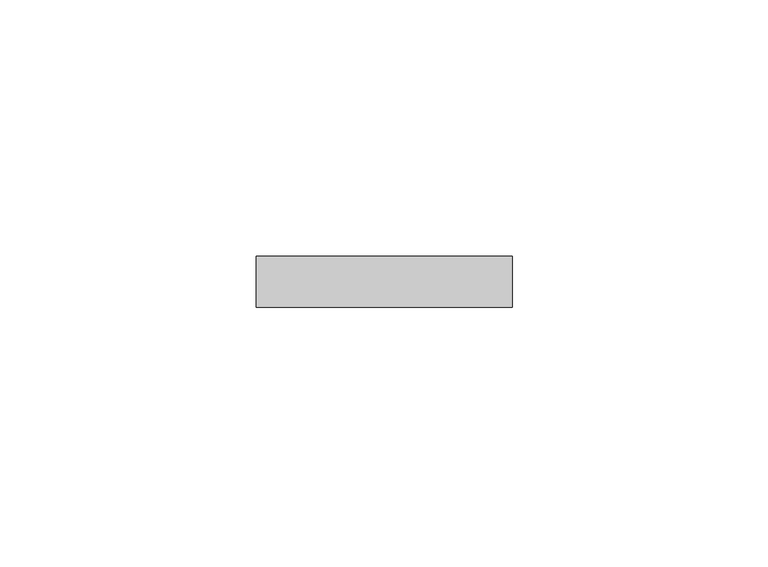
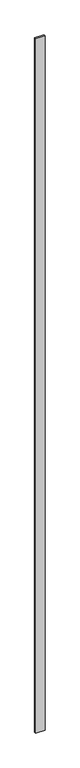
"""IFC4 building model written with IfcOpenShell, lengths in millimetres: plate geometry."""

import ifcopenshell
import ifcopenshell.guid

model = None  # the IFC model being written
_history = None  # IfcOwnerHistory: only IFC2X3 demands one
_inside = {}  # id of a spatial element -> (the spatial element, [elements in it])
_under = {}  # id of a project, library or spatial element -> (it, [spatial elements below it])
_declared = {}  # id of a project -> (the project, [libraries it declares])
_typed = {}  # id of a type object -> (the type object, [elements of that type])
_made_of = {}  # id of a material, layer set ... -> (it, [elements and type objects made of it])


def new_model(schema):
    """Start an empty IFC model of exactly this schema.

    Asked for "IFC4X3", IfcOpenShell would pick the latest addendum, in which some entities
    have other attributes; the version numbers below select the first issue.
    IFC2X3 requires an IfcOwnerHistory on every rooted entity: one is made here for all.
    """
    global model, _history
    if schema == "IFC4X3":
        model = ifcopenshell.file(schema_version=(4, 3, 0, 0))
    else:
        model = ifcopenshell.file(schema=schema)
    _inside.clear()
    _under.clear()
    _declared.clear()
    _typed.clear()
    _made_of.clear()
    _history = None
    if model.schema == "IFC2X3":
        org = make("IfcOrganization", Name="unknown")
        user = make(
            "IfcPersonAndOrganization",
            ThePerson=make("IfcPerson", FamilyName="unknown"),
            TheOrganization=org,
        )
        app = make(
            "IfcApplication",
            ApplicationDeveloper=org,
            Version="unknown",
            ApplicationFullName="unknown",
            ApplicationIdentifier="unknown",
        )
        _history = make(
            "IfcOwnerHistory",
            OwningUser=user,
            OwningApplication=app,
            ChangeAction="ADDED",
            CreationDate=0,
        )
    return model


def make(cls, **values):
    """One entity of the class cls with the attributes given. An attribute that is None is left unset."""
    return model.create_entity(
        cls, **{name: value for name, value in values.items() if value is not None}
    )


def rooted(cls, **values):
    """An entity with a GlobalId (a new one), such as an element, a storey or a relation."""
    return make(cls, GlobalId=ifcopenshell.guid.new(), OwnerHistory=_history, **values)


def si_unit(unit_type, name, prefix=None):
    """IfcSIUnit, for example si_unit("LENGTHUNIT", "METRE", prefix="MILLI")."""
    return make("IfcSIUnit", UnitType=unit_type, Prefix=prefix, Name=name)


def assignment(units):
    """IfcUnitAssignment: the units of a project."""
    return None if units is None else make("IfcUnitAssignment", Units=units)


def point(xyz):
    """IfcCartesianPoint."""
    return None if xyz is None else make("IfcCartesianPoint", Coordinates=xyz)


def direction(xyz):
    """IfcDirection."""
    return None if xyz is None else make("IfcDirection", DirectionRatios=xyz)


def frame(location, z_axis=None, x_axis=None):
    """IfcAxis2Placement3D, a coordinate frame: its origin and axes. An axis left out is left unset."""
    return make(
        "IfcAxis2Placement3D",
        Location=point(location),
        Axis=direction(z_axis),
        RefDirection=direction(x_axis),
    )


def origin():
    """The frame at (0, 0, 0) with its axes left unset."""
    return frame((0.0, 0.0, 0.0))


def origin_with_axes():
    """The frame at (0, 0, 0) with the z axis (0, 0, 1) and the x axis (1, 0, 0) written out."""
    return frame((0.0, 0.0, 0.0), z_axis=(0.0, 0.0, 1.0), x_axis=(1.0, 0.0, 0.0))


def place(relative_to, where):
    """IfcLocalPlacement: puts the frame where relative to a parent placement (None: the world)."""
    return make(
        "IfcLocalPlacement", PlacementRelTo=relative_to, RelativePlacement=where
    )


def context(
    kind, dimensions, precision=None, world=None, true_north=None, identifier=None
):
    """IfcGeometricRepresentationContext, for example the 3D "Model" context."""
    return make(
        "IfcGeometricRepresentationContext",
        ContextIdentifier=identifier,
        ContextType=kind,
        CoordinateSpaceDimension=dimensions,
        Precision=precision,
        WorldCoordinateSystem=world,
        TrueNorth=true_north,
    )


def project(units=None, contexts=None):
    """IfcProject with its units and contexts."""
    return rooted(
        "IfcProject",
        Name="project",
        RepresentationContexts=contexts,
        UnitsInContext=assignment(units),
    )


def spatial(cls, under=None, at=None, **own):
    """A site, building, storey or space (cls), placed at a placement, below another one or the project."""
    s = rooted(cls, ObjectPlacement=at, **own)
    if under is not None:
        _under.setdefault(under.id(), (under, []))[1].append(s)
    return s


def polyline(points):
    """IfcPolyline through the points."""
    return make("IfcPolyline", Points=[point(p) for p in points])


def outline(outer, holes=None, kind="AREA"):
    """IfcArbitraryClosedProfileDef: a profile drawn as a closed curve; with holes, ...WithVoids."""
    if holes is None:
        return make("IfcArbitraryClosedProfileDef", ProfileType=kind, OuterCurve=outer)
    return make(
        "IfcArbitraryProfileDefWithVoids",
        ProfileType=kind,
        OuterCurve=outer,
        InnerCurves=holes,
    )


def extrude(swept, where, along, depth):
    """IfcExtrudedAreaSolid: the profile swept, set in the frame where, extruded along a direction by depth."""
    return make(
        "IfcExtrudedAreaSolid",
        SweptArea=swept,
        Position=where,
        ExtrudedDirection=direction(along),
        Depth=depth,
    )


def shape(context_of_items, identifier, shape_type, items):
    """IfcShapeRepresentation: the items that make up one representation, for example the "Body"."""
    return make(
        "IfcShapeRepresentation",
        ContextOfItems=context_of_items,
        RepresentationIdentifier=identifier,
        RepresentationType=shape_type,
        Items=items,
    )


def source(mapping_origin, context_of_items, identifier, shape_type, items):
    """IfcRepresentationMap: a shape defined once, which mapped items show again and again."""
    return make(
        "IfcRepresentationMap",
        MappingOrigin=mapping_origin,
        MappedRepresentation=shape(context_of_items, identifier, shape_type, items),
    )


def transform(
    local_origin,
    x_axis=None,
    y_axis=None,
    z_axis=None,
    scale=None,
    scale2=None,
    scale3=None,
    uniform=True,
):
    """IfcCartesianTransformationOperator3D, or its non-uniform kind. x_axis, y_axis, z_axis: its Axis1, 2, 3."""
    if uniform:
        return make(
            "IfcCartesianTransformationOperator3D",
            Axis1=direction(x_axis),
            Axis2=direction(y_axis),
            LocalOrigin=point(local_origin),
            Scale=scale,
            Axis3=direction(z_axis),
        )
    return make(
        "IfcCartesianTransformationOperator3DnonUniform",
        Axis1=direction(x_axis),
        Axis2=direction(y_axis),
        LocalOrigin=point(local_origin),
        Scale=scale,
        Axis3=direction(z_axis),
        Scale2=scale2,
        Scale3=scale3,
    )


def mapped(mapping_source, mapping_target):
    """IfcMappedItem: shows the shape of a source again, moved by a transform."""
    return make(
        "IfcMappedItem", MappingSource=mapping_source, MappingTarget=mapping_target
    )


def made_of(thing, what):
    """Note that an element or type object is made of a material, layer set ...; save() writes the relation."""
    if what is not None:
        _made_of.setdefault(what.id(), (what, []))[1].append(thing)
    return thing


def element(
    cls,
    number,
    at=None,
    inside=None,
    cuts=None,
    type_object=None,
    material=None,
    context=None,
    identifier="Body",
    shape_type=None,
    held_by="IfcProductDefinitionShape",
    body=None,
    shapes=None,
    **own,
):
    """One element of the class cls, such as IfcWall. Its Tag is "e" and its number.

    at: its placement. inside: the storey or other place that contains it. cuts: it is an
    opening in that element (IfcRelVoidsElement). A single representation is given by context,
    identifier, shape_type and body (its items); several are given by shapes. held_by: the class
    of the entity that holds the representations. save() writes the other relations.
    """
    e = rooted(cls, Tag="e%d" % number, ObjectPlacement=at, **own)
    if body is not None:
        shapes = [shape(context, identifier, shape_type, body)]
    if shapes is not None:
        e.Representation = make(held_by, Representations=shapes)
    if inside is not None:
        _inside.setdefault(inside.id(), (inside, []))[1].append(e)
    if cuts is not None:
        rooted(
            "IfcRelVoidsElement", RelatingBuildingElement=cuts, RelatedOpeningElement=e
        )
    if type_object is not None:
        _typed.setdefault(type_object.id(), (type_object, []))[1].append(e)
    return made_of(e, material)


def aggregate(whole, parts):
    """IfcRelAggregates: a whole, such as a stair, and the parts it consists of."""
    return rooted("IfcRelAggregates", RelatingObject=whole, RelatedObjects=parts)


def save(model, path):
    """Write the relations noted so far, then the file.

    IfcRelAggregates (storeys below a building ...), IfcRelContainedInSpatialStructure (elements
    in a storey), IfcRelDefinesByType, IfcRelAssociatesMaterial and IfcRelDeclares: one each for
    every whole, place, type object, material and project.
    """
    for whole, parts in _under.values():
        aggregate(whole, parts)
    for where, things in _inside.values():
        rooted(
            "IfcRelContainedInSpatialStructure",
            RelatedElements=things,
            RelatingStructure=where,
        )
    for kind, things in _typed.values():
        rooted("IfcRelDefinesByType", RelatedObjects=things, RelatingType=kind)
    for what, things in _made_of.values():
        rooted("IfcRelAssociatesMaterial", RelatedObjects=things, RelatingMaterial=what)
    for by, libraries in _declared.values():
        rooted("IfcRelDeclares", RelatingContext=by, RelatedDefinitions=libraries)
    model.write(path)


def plate_ab860a3c(model_context):
    return source(origin(), model_context, "Body", "SweptSolid", [
        extrude(outline(polyline([(25.0, -5.0), (-25.0, -5.0), (-25.0, 5.0), (25.0, 5.0), (25.0, -5.0)])), origin_with_axes(), (0.0, 0.0, 1.0), 4000.0),
    ])


if __name__ == "__main__":
    model = new_model("IFC4")
    model_context = context("Model", 3, world=origin())
    ifc_project = project(units=[si_unit("LENGTHUNIT", "METRE", prefix="MILLI")], contexts=[model_context])
    site = spatial("IfcSite", under=ifc_project)
    building = spatial("IfcBuilding", under=site)
    placement = place(None, origin())
    plate_shape = plate_ab860a3c(model_context)
    element("IfcPlate", 1, at=placement, inside=building, context=model_context, shape_type="MappedRepresentation", body=[
        mapped(plate_shape, transform((0.0, 0.0, 0.0), x_axis=(1.0, 0.0, 0.0), y_axis=(0.0, 1.0, 0.0), z_axis=(0.0, 0.0, 1.0))),
    ])
    save(model, "model.ifc")
